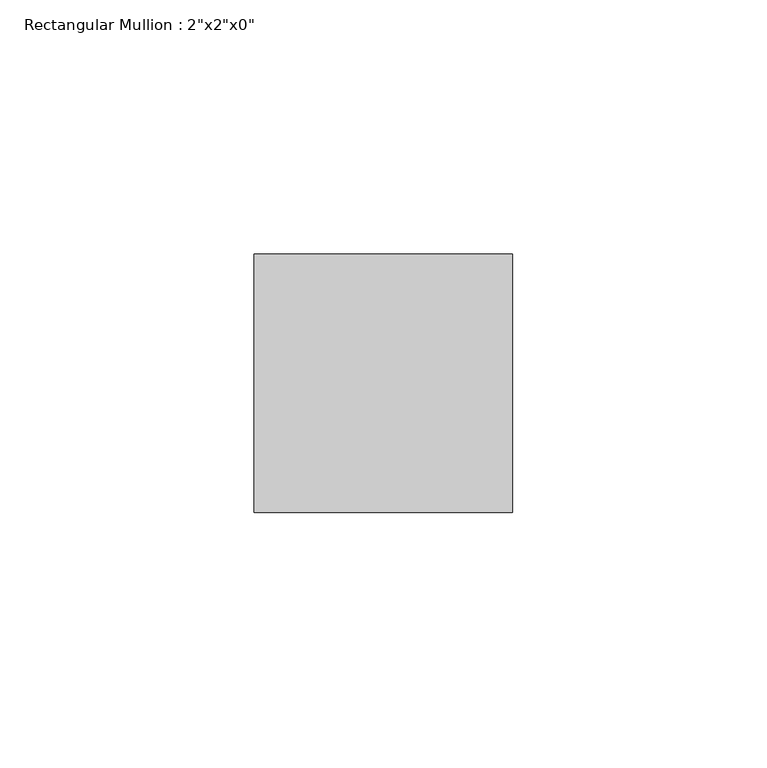
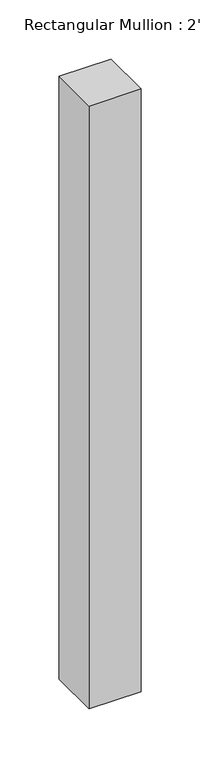
"""IFC4 building model written with IfcOpenShell, lengths in millimetres: member geometry."""

import ifcopenshell
import ifcopenshell.guid

model = None  # the IFC model being written
_history = None  # IfcOwnerHistory: only IFC2X3 demands one
_inside = {}  # id of a spatial element -> (the spatial element, [elements in it])
_under = {}  # id of a project, library or spatial element -> (it, [spatial elements below it])
_declared = {}  # id of a project -> (the project, [libraries it declares])
_typed = {}  # id of a type object -> (the type object, [elements of that type])
_made_of = {}  # id of a material, layer set ... -> (it, [elements and type objects made of it])


def new_model(schema):
    """Start an empty IFC model of exactly this schema.

    Asked for "IFC4X3", IfcOpenShell would pick the latest addendum, in which some entities
    have other attributes; the version numbers below select the first issue.
    IFC2X3 requires an IfcOwnerHistory on every rooted entity: one is made here for all.
    """
    global model, _history
    if schema == "IFC4X3":
        model = ifcopenshell.file(schema_version=(4, 3, 0, 0))
    else:
        model = ifcopenshell.file(schema=schema)
    _inside.clear()
    _under.clear()
    _declared.clear()
    _typed.clear()
    _made_of.clear()
    _history = None
    if model.schema == "IFC2X3":
        org = make("IfcOrganization", Name="unknown")
        user = make(
            "IfcPersonAndOrganization",
            ThePerson=make("IfcPerson", FamilyName="unknown"),
            TheOrganization=org,
        )
        app = make(
            "IfcApplication",
            ApplicationDeveloper=org,
            Version="unknown",
            ApplicationFullName="unknown",
            ApplicationIdentifier="unknown",
        )
        _history = make(
            "IfcOwnerHistory",
            OwningUser=user,
            OwningApplication=app,
            ChangeAction="ADDED",
            CreationDate=0,
        )
    return model


def make(cls, **values):
    """One entity of the class cls with the attributes given. An attribute that is None is left unset."""
    return model.create_entity(
        cls, **{name: value for name, value in values.items() if value is not None}
    )


def rooted(cls, **values):
    """An entity with a GlobalId (a new one), such as an element, a storey or a relation."""
    return make(cls, GlobalId=ifcopenshell.guid.new(), OwnerHistory=_history, **values)


def si_unit(unit_type, name, prefix=None):
    """IfcSIUnit, for example si_unit("LENGTHUNIT", "METRE", prefix="MILLI")."""
    return make("IfcSIUnit", UnitType=unit_type, Prefix=prefix, Name=name)


def assignment(units):
    """IfcUnitAssignment: the units of a project."""
    return None if units is None else make("IfcUnitAssignment", Units=units)


def point(xyz):
    """IfcCartesianPoint."""
    return None if xyz is None else make("IfcCartesianPoint", Coordinates=xyz)


def direction(xyz):
    """IfcDirection."""
    return None if xyz is None else make("IfcDirection", DirectionRatios=xyz)


def frame(location, z_axis=None, x_axis=None):
    """IfcAxis2Placement3D, a coordinate frame: its origin and axes. An axis left out is left unset."""
    return make(
        "IfcAxis2Placement3D",
        Location=point(location),
        Axis=direction(z_axis),
        RefDirection=direction(x_axis),
    )


def origin():
    """The frame at (0, 0, 0) with its axes left unset."""
    return frame((0.0, 0.0, 0.0))


def place(relative_to, where):
    """IfcLocalPlacement: puts the frame where relative to a parent placement (None: the world)."""
    return make(
        "IfcLocalPlacement", PlacementRelTo=relative_to, RelativePlacement=where
    )


def context(
    kind, dimensions, precision=None, world=None, true_north=None, identifier=None
):
    """IfcGeometricRepresentationContext, for example the 3D "Model" context."""
    return make(
        "IfcGeometricRepresentationContext",
        ContextIdentifier=identifier,
        ContextType=kind,
        CoordinateSpaceDimension=dimensions,
        Precision=precision,
        WorldCoordinateSystem=world,
        TrueNorth=true_north,
    )


def project(units=None, contexts=None):
    """IfcProject with its units and contexts."""
    return rooted(
        "IfcProject",
        Name="project",
        RepresentationContexts=contexts,
        UnitsInContext=assignment(units),
    )


def spatial(cls, under=None, at=None, **own):
    """A site, building, storey or space (cls), placed at a placement, below another one or the project."""
    s = rooted(cls, ObjectPlacement=at, **own)
    if under is not None:
        _under.setdefault(under.id(), (under, []))[1].append(s)
    return s


def polyline(points):
    """IfcPolyline through the points."""
    return make("IfcPolyline", Points=[point(p) for p in points])


def outline(outer, holes=None, kind="AREA"):
    """IfcArbitraryClosedProfileDef: a profile drawn as a closed curve; with holes, ...WithVoids."""
    if holes is None:
        return make("IfcArbitraryClosedProfileDef", ProfileType=kind, OuterCurve=outer)
    return make(
        "IfcArbitraryProfileDefWithVoids",
        ProfileType=kind,
        OuterCurve=outer,
        InnerCurves=holes,
    )


def extrude(swept, where, along, depth):
    """IfcExtrudedAreaSolid: the profile swept, set in the frame where, extruded along a direction by depth."""
    return make(
        "IfcExtrudedAreaSolid",
        SweptArea=swept,
        Position=where,
        ExtrudedDirection=direction(along),
        Depth=depth,
    )


def shape(context_of_items, identifier, shape_type, items):
    """IfcShapeRepresentation: the items that make up one representation, for example the "Body"."""
    return make(
        "IfcShapeRepresentation",
        ContextOfItems=context_of_items,
        RepresentationIdentifier=identifier,
        RepresentationType=shape_type,
        Items=items,
    )


def source(mapping_origin, context_of_items, identifier, shape_type, items):
    """IfcRepresentationMap: a shape defined once, which mapped items show again and again."""
    return make(
        "IfcRepresentationMap",
        MappingOrigin=mapping_origin,
        MappedRepresentation=shape(context_of_items, identifier, shape_type, items),
    )


def transform(
    local_origin,
    x_axis=None,
    y_axis=None,
    z_axis=None,
    scale=None,
    scale2=None,
    scale3=None,
    uniform=True,
):
    """IfcCartesianTransformationOperator3D, or its non-uniform kind. x_axis, y_axis, z_axis: its Axis1, 2, 3."""
    if uniform:
        return make(
            "IfcCartesianTransformationOperator3D",
            Axis1=direction(x_axis),
            Axis2=direction(y_axis),
            LocalOrigin=point(local_origin),
            Scale=scale,
            Axis3=direction(z_axis),
        )
    return make(
        "IfcCartesianTransformationOperator3DnonUniform",
        Axis1=direction(x_axis),
        Axis2=direction(y_axis),
        LocalOrigin=point(local_origin),
        Scale=scale,
        Axis3=direction(z_axis),
        Scale2=scale2,
        Scale3=scale3,
    )


def mapped(mapping_source, mapping_target):
    """IfcMappedItem: shows the shape of a source again, moved by a transform."""
    return make(
        "IfcMappedItem", MappingSource=mapping_source, MappingTarget=mapping_target
    )


def made_of(thing, what):
    """Note that an element or type object is made of a material, layer set ...; save() writes the relation."""
    if what is not None:
        _made_of.setdefault(what.id(), (what, []))[1].append(thing)
    return thing


def element(
    cls,
    number,
    at=None,
    inside=None,
    cuts=None,
    type_object=None,
    material=None,
    context=None,
    identifier="Body",
    shape_type=None,
    held_by="IfcProductDefinitionShape",
    body=None,
    shapes=None,
    **own,
):
    """One element of the class cls, such as IfcWall. Its Tag is "e" and its number.

    at: its placement. inside: the storey or other place that contains it. cuts: it is an
    opening in that element (IfcRelVoidsElement). A single representation is given by context,
    identifier, shape_type and body (its items); several are given by shapes. held_by: the class
    of the entity that holds the representations. save() writes the other relations.
    """
    e = rooted(cls, Tag="e%d" % number, ObjectPlacement=at, **own)
    if body is not None:
        shapes = [shape(context, identifier, shape_type, body)]
    if shapes is not None:
        e.Representation = make(held_by, Representations=shapes)
    if inside is not None:
        _inside.setdefault(inside.id(), (inside, []))[1].append(e)
    if cuts is not None:
        rooted(
            "IfcRelVoidsElement", RelatingBuildingElement=cuts, RelatedOpeningElement=e
        )
    if type_object is not None:
        _typed.setdefault(type_object.id(), (type_object, []))[1].append(e)
    return made_of(e, material)


def aggregate(whole, parts):
    """IfcRelAggregates: a whole, such as a stair, and the parts it consists of."""
    return rooted("IfcRelAggregates", RelatingObject=whole, RelatedObjects=parts)


def save(model, path):
    """Write the relations noted so far, then the file.

    IfcRelAggregates (storeys below a building ...), IfcRelContainedInSpatialStructure (elements
    in a storey), IfcRelDefinesByType, IfcRelAssociatesMaterial and IfcRelDeclares: one each for
    every whole, place, type object, material and project.
    """
    for whole, parts in _under.values():
        aggregate(whole, parts)
    for where, things in _inside.values():
        rooted(
            "IfcRelContainedInSpatialStructure",
            RelatedElements=things,
            RelatingStructure=where,
        )
    for kind, things in _typed.values():
        rooted("IfcRelDefinesByType", RelatedObjects=things, RelatingType=kind)
    for what, things in _made_of.values():
        rooted("IfcRelAssociatesMaterial", RelatedObjects=things, RelatingMaterial=what)
    for by, libraries in _declared.values():
        rooted("IfcRelDeclares", RelatingContext=by, RelatedDefinitions=libraries)
    model.write(path)


def member_3105fe60(model_context):
    return source(origin(), model_context, "Body", "SweptSolid", [
        extrude(outline(polyline([(0.0, 25.4), (0.0, -25.4), (-50.8, -25.4), (-50.8, 25.4), (0.0, 25.4)])), frame((0.0, 0.0, -621.9247799), z_axis=(0.0, 0.0, 1.0), x_axis=(1.0, 0.0, 0.0)), (0.0, 0.0, 1.0), 621.9247799),
    ])


if __name__ == "__main__":
    model = new_model("IFC4")
    model_context = context("Model", 3, world=origin())
    ifc_project = project(units=[si_unit("LENGTHUNIT", "METRE", prefix="MILLI")], contexts=[model_context])
    site = spatial("IfcSite", under=ifc_project)
    building = spatial("IfcBuilding", under=site)
    placement = place(None, origin())
    member_shape = member_3105fe60(model_context)
    element("IfcMember", 1, ObjectType="Rectangular Mullion : 2\"x2\"x0\"", at=placement, inside=building, context=model_context, shape_type="MappedRepresentation", body=[
        mapped(member_shape, transform((0.0, 0.0, 0.0), x_axis=(1.0, 0.0, 0.0), y_axis=(0.0, 1.0, 0.0), z_axis=(0.0, 0.0, 1.0))),
    ])
    save(model, "model.ifc")
